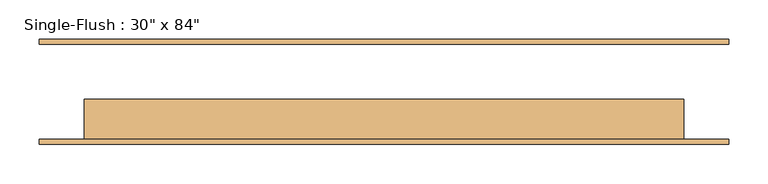
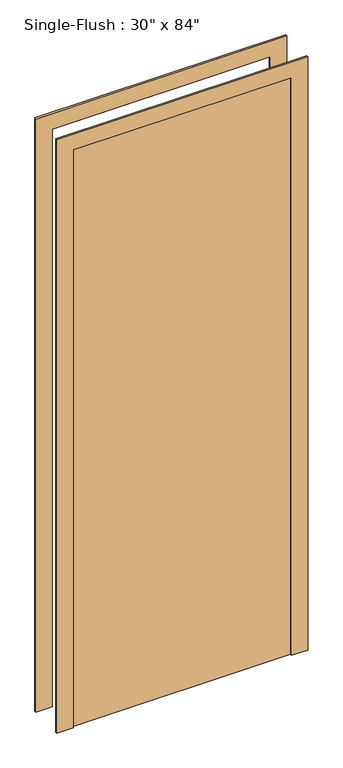
"""IFC4 building model written with IfcOpenShell, lengths in millimetres: door geometry."""

from ifc_helpers import new_model, si_unit, frame, origin, origin_with_axes, place, context, project, spatial, polyline, outline, extrude, source, transform, mapped, element, save


def door_e41aeec5(model_context):
    return source(origin(), model_context, "Body", "SweptSolid", [
        extrude(outline(polyline([(2190.75, -438.15), (0.0, -438.15), (0.0, -381.0), (2133.6, -381.0), (2133.6, 381.0), (0.0, 381.0), (0.0, 438.15), (2190.75, 438.15), (2190.75, -438.15)])), frame((0.0, -66.675, 0.0), z_axis=(0.0, 1.0, 0.0), x_axis=(0.0, 0.0, 1.0)), (0.0, 0.0, 1.0), 6.35),
        extrude(outline(polyline([(2190.75, 438.15), (2190.75, -438.15), (0.0, -438.15), (0.0, -381.0), (2133.6, -381.0), (2133.6, 381.0), (0.0, 381.0), (0.0, 438.15), (2190.75, 438.15)])), frame((0.0, 60.325, 0.0), z_axis=(0.0, 1.0, 0.0), x_axis=(0.0, 0.0, 1.0)), (0.0, 0.0, 1.0), 6.35),
        extrude(outline(polyline([(381.0, -9.525), (381.0, -60.325), (-381.0, -60.325), (-381.0, -9.525), (381.0, -9.525)])), origin_with_axes(), (0.0, 0.0, 1.0), 2133.6),
    ])


if __name__ == "__main__":
    model = new_model("IFC4")
    model_context = context("Model", 3, world=origin())
    ifc_project = project(units=[si_unit("LENGTHUNIT", "METRE", prefix="MILLI")], contexts=[model_context])
    site = spatial("IfcSite", under=ifc_project)
    building = spatial("IfcBuilding", under=site)
    placement = place(None, origin())
    door_shape = door_e41aeec5(model_context)
    element("IfcDoor", 1, ObjectType="Single-Flush : 30\" x 84\"", at=placement, inside=building, context=model_context, shape_type="MappedRepresentation", body=[
        mapped(door_shape, transform((0.0, 0.0, 0.0), x_axis=(1.0, 0.0, 0.0), y_axis=(0.0, 1.0, 0.0), z_axis=(0.0, 0.0, 1.0))),
    ])
    save(model, "model.ifc")
